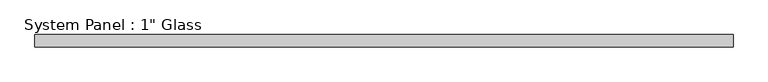
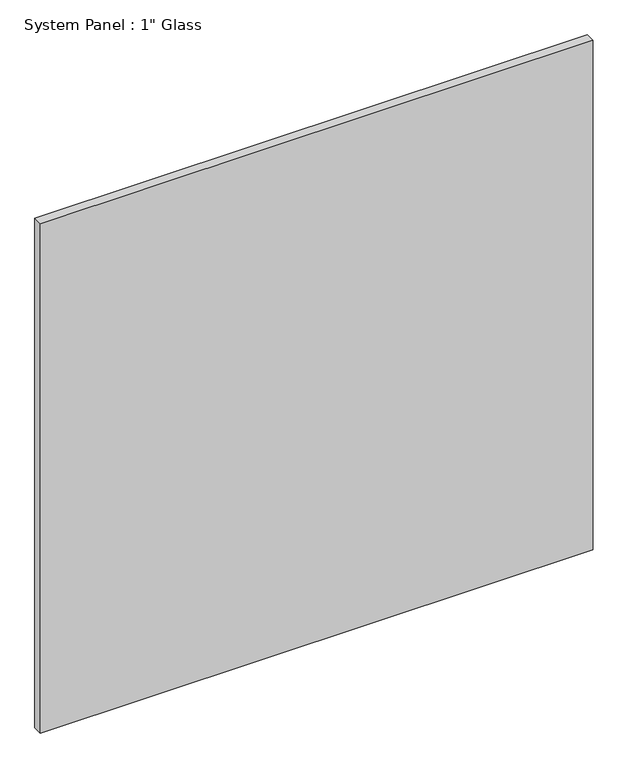
"""IFC4 building model written with IfcOpenShell, lengths in millimetres: plate geometry."""

from ifc_helpers import new_model, si_unit, origin, origin_with_axes, place, context, project, spatial, polyline, outline, extrude, source, transform, mapped, element, save


def plate_13fb40e9(model_context):
    return source(origin(), model_context, "Body", "SweptSolid", [
        extrude(outline(polyline([(731.2586839, -12.7), (-731.2586839, -12.7), (-731.2586839, 12.7), (731.2586839, 12.7), (731.2586839, -12.7)])), origin_with_axes(), (0.0, 0.0, 1.0), 1424.9417704),
    ])


if __name__ == "__main__":
    model = new_model("IFC4")
    model_context = context("Model", 3, world=origin())
    ifc_project = project(units=[si_unit("LENGTHUNIT", "METRE", prefix="MILLI")], contexts=[model_context])
    site = spatial("IfcSite", under=ifc_project)
    building = spatial("IfcBuilding", under=site)
    placement = place(None, origin())
    plate_shape = plate_13fb40e9(model_context)
    element("IfcPlate", 1, ObjectType="System Panel : 1\" Glass", at=placement, inside=building, context=model_context, shape_type="MappedRepresentation", body=[
        mapped(plate_shape, transform((0.0, 0.0, 0.0), x_axis=(1.0, 0.0, 0.0), y_axis=(0.0, 1.0, 0.0), z_axis=(0.0, 0.0, 1.0))),
    ])
    save(model, "model.ifc")
